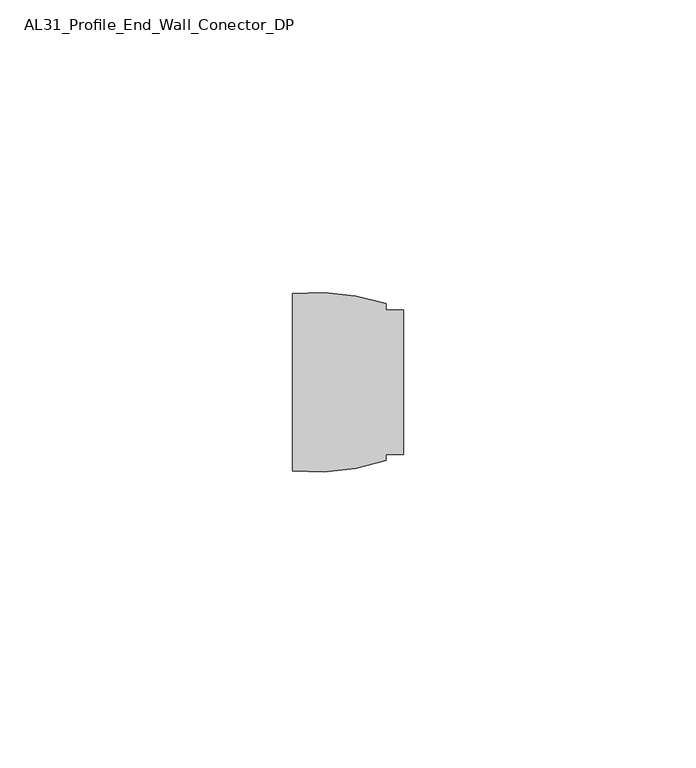
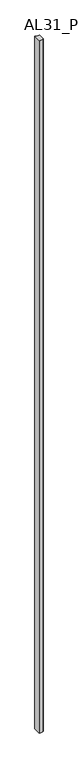
"""IFC4 building model written with IfcOpenShell, lengths in millimetres: member geometry, AL31_Profile_End_Wall_Conector_DP."""

import ifcopenshell
import ifcopenshell.guid

model = None  # the IFC model being written
_history = None  # IfcOwnerHistory: only IFC2X3 demands one
_inside = {}  # id of a spatial element -> (the spatial element, [elements in it])
_under = {}  # id of a project, library or spatial element -> (it, [spatial elements below it])
_declared = {}  # id of a project -> (the project, [libraries it declares])
_typed = {}  # id of a type object -> (the type object, [elements of that type])
_made_of = {}  # id of a material, layer set ... -> (it, [elements and type objects made of it])


def new_model(schema):
    """Start an empty IFC model of exactly this schema.

    Asked for "IFC4X3", IfcOpenShell would pick the latest addendum, in which some entities
    have other attributes; the version numbers below select the first issue.
    IFC2X3 requires an IfcOwnerHistory on every rooted entity: one is made here for all.
    """
    global model, _history
    if schema == "IFC4X3":
        model = ifcopenshell.file(schema_version=(4, 3, 0, 0))
    else:
        model = ifcopenshell.file(schema=schema)
    _inside.clear()
    _under.clear()
    _declared.clear()
    _typed.clear()
    _made_of.clear()
    _history = None
    if model.schema == "IFC2X3":
        org = make("IfcOrganization", Name="unknown")
        user = make(
            "IfcPersonAndOrganization",
            ThePerson=make("IfcPerson", FamilyName="unknown"),
            TheOrganization=org,
        )
        app = make(
            "IfcApplication",
            ApplicationDeveloper=org,
            Version="unknown",
            ApplicationFullName="unknown",
            ApplicationIdentifier="unknown",
        )
        _history = make(
            "IfcOwnerHistory",
            OwningUser=user,
            OwningApplication=app,
            ChangeAction="ADDED",
            CreationDate=0,
        )
    return model


def make(cls, **values):
    """One entity of the class cls with the attributes given. An attribute that is None is left unset."""
    return model.create_entity(
        cls, **{name: value for name, value in values.items() if value is not None}
    )


def rooted(cls, **values):
    """An entity with a GlobalId (a new one), such as an element, a storey or a relation."""
    return make(cls, GlobalId=ifcopenshell.guid.new(), OwnerHistory=_history, **values)


def si_unit(unit_type, name, prefix=None):
    """IfcSIUnit, for example si_unit("LENGTHUNIT", "METRE", prefix="MILLI")."""
    return make("IfcSIUnit", UnitType=unit_type, Prefix=prefix, Name=name)


def assignment(units):
    """IfcUnitAssignment: the units of a project."""
    return None if units is None else make("IfcUnitAssignment", Units=units)


def point(xyz):
    """IfcCartesianPoint."""
    return None if xyz is None else make("IfcCartesianPoint", Coordinates=xyz)


def direction(xyz):
    """IfcDirection."""
    return None if xyz is None else make("IfcDirection", DirectionRatios=xyz)


def frame(location, z_axis=None, x_axis=None):
    """IfcAxis2Placement3D, a coordinate frame: its origin and axes. An axis left out is left unset."""
    return make(
        "IfcAxis2Placement3D",
        Location=point(location),
        Axis=direction(z_axis),
        RefDirection=direction(x_axis),
    )


def frame_2d(location, x_axis=None):
    """IfcAxis2Placement2D, a coordinate frame in the plane: its origin and x axis."""
    return make(
        "IfcAxis2Placement2D", Location=point(location), RefDirection=direction(x_axis)
    )


def origin():
    """The frame at (0, 0, 0) with its axes left unset."""
    return frame((0.0, 0.0, 0.0))


def place(relative_to, where):
    """IfcLocalPlacement: puts the frame where relative to a parent placement (None: the world)."""
    return make(
        "IfcLocalPlacement", PlacementRelTo=relative_to, RelativePlacement=where
    )


def context(
    kind, dimensions, precision=None, world=None, true_north=None, identifier=None
):
    """IfcGeometricRepresentationContext, for example the 3D "Model" context."""
    return make(
        "IfcGeometricRepresentationContext",
        ContextIdentifier=identifier,
        ContextType=kind,
        CoordinateSpaceDimension=dimensions,
        Precision=precision,
        WorldCoordinateSystem=world,
        TrueNorth=true_north,
    )


def project(units=None, contexts=None):
    """IfcProject with its units and contexts."""
    return rooted(
        "IfcProject",
        Name="project",
        RepresentationContexts=contexts,
        UnitsInContext=assignment(units),
    )


def spatial(cls, under=None, at=None, **own):
    """A site, building, storey or space (cls), placed at a placement, below another one or the project."""
    s = rooted(cls, ObjectPlacement=at, **own)
    if under is not None:
        _under.setdefault(under.id(), (under, []))[1].append(s)
    return s


def polyline(points):
    """IfcPolyline through the points."""
    return make("IfcPolyline", Points=[point(p) for p in points])


def circle_curve(where, radius):
    """IfcCircle in the frame where."""
    return make("IfcCircle", Position=where, Radius=radius)


def trimmed(basis, trim1, trim2, sense, master):
    """IfcTrimmedCurve: the piece of a basis curve between two trims."""
    return make(
        "IfcTrimmedCurve",
        BasisCurve=basis,
        Trim1=trim1,
        Trim2=trim2,
        SenseAgreement=sense,
        MasterRepresentation=master,
    )


def segment(curve, same_sense, transition):
    """IfcCompositeCurveSegment."""
    return make(
        "IfcCompositeCurveSegment",
        Transition=transition,
        SameSense=same_sense,
        ParentCurve=curve,
    )


def composite_curve(segments, self_intersect=None):
    """IfcCompositeCurve: segments joined end to end."""
    return make("IfcCompositeCurve", Segments=segments, SelfIntersect=self_intersect)


def outline(outer, holes=None, kind="AREA"):
    """IfcArbitraryClosedProfileDef: a profile drawn as a closed curve; with holes, ...WithVoids."""
    if holes is None:
        return make("IfcArbitraryClosedProfileDef", ProfileType=kind, OuterCurve=outer)
    return make(
        "IfcArbitraryProfileDefWithVoids",
        ProfileType=kind,
        OuterCurve=outer,
        InnerCurves=holes,
    )


def extrude(swept, where, along, depth):
    """IfcExtrudedAreaSolid: the profile swept, set in the frame where, extruded along a direction by depth."""
    return make(
        "IfcExtrudedAreaSolid",
        SweptArea=swept,
        Position=where,
        ExtrudedDirection=direction(along),
        Depth=depth,
    )


def shape(context_of_items, identifier, shape_type, items):
    """IfcShapeRepresentation: the items that make up one representation, for example the "Body"."""
    return make(
        "IfcShapeRepresentation",
        ContextOfItems=context_of_items,
        RepresentationIdentifier=identifier,
        RepresentationType=shape_type,
        Items=items,
    )


def source(mapping_origin, context_of_items, identifier, shape_type, items):
    """IfcRepresentationMap: a shape defined once, which mapped items show again and again."""
    return make(
        "IfcRepresentationMap",
        MappingOrigin=mapping_origin,
        MappedRepresentation=shape(context_of_items, identifier, shape_type, items),
    )


def transform(
    local_origin,
    x_axis=None,
    y_axis=None,
    z_axis=None,
    scale=None,
    scale2=None,
    scale3=None,
    uniform=True,
):
    """IfcCartesianTransformationOperator3D, or its non-uniform kind. x_axis, y_axis, z_axis: its Axis1, 2, 3."""
    if uniform:
        return make(
            "IfcCartesianTransformationOperator3D",
            Axis1=direction(x_axis),
            Axis2=direction(y_axis),
            LocalOrigin=point(local_origin),
            Scale=scale,
            Axis3=direction(z_axis),
        )
    return make(
        "IfcCartesianTransformationOperator3DnonUniform",
        Axis1=direction(x_axis),
        Axis2=direction(y_axis),
        LocalOrigin=point(local_origin),
        Scale=scale,
        Axis3=direction(z_axis),
        Scale2=scale2,
        Scale3=scale3,
    )


def mapped(mapping_source, mapping_target):
    """IfcMappedItem: shows the shape of a source again, moved by a transform."""
    return make(
        "IfcMappedItem", MappingSource=mapping_source, MappingTarget=mapping_target
    )


def made_of(thing, what):
    """Note that an element or type object is made of a material, layer set ...; save() writes the relation."""
    if what is not None:
        _made_of.setdefault(what.id(), (what, []))[1].append(thing)
    return thing


def element(
    cls,
    number,
    at=None,
    inside=None,
    cuts=None,
    type_object=None,
    material=None,
    context=None,
    identifier="Body",
    shape_type=None,
    held_by="IfcProductDefinitionShape",
    body=None,
    shapes=None,
    **own,
):
    """One element of the class cls, such as IfcWall. Its Tag is "e" and its number.

    at: its placement. inside: the storey or other place that contains it. cuts: it is an
    opening in that element (IfcRelVoidsElement). A single representation is given by context,
    identifier, shape_type and body (its items); several are given by shapes. held_by: the class
    of the entity that holds the representations. save() writes the other relations.
    """
    e = rooted(cls, Tag="e%d" % number, ObjectPlacement=at, **own)
    if body is not None:
        shapes = [shape(context, identifier, shape_type, body)]
    if shapes is not None:
        e.Representation = make(held_by, Representations=shapes)
    if inside is not None:
        _inside.setdefault(inside.id(), (inside, []))[1].append(e)
    if cuts is not None:
        rooted(
            "IfcRelVoidsElement", RelatingBuildingElement=cuts, RelatedOpeningElement=e
        )
    if type_object is not None:
        _typed.setdefault(type_object.id(), (type_object, []))[1].append(e)
    return made_of(e, material)


def aggregate(whole, parts):
    """IfcRelAggregates: a whole, such as a stair, and the parts it consists of."""
    return rooted("IfcRelAggregates", RelatingObject=whole, RelatedObjects=parts)


def save(model, path):
    """Write the relations noted so far, then the file.

    IfcRelAggregates (storeys below a building ...), IfcRelContainedInSpatialStructure (elements
    in a storey), IfcRelDefinesByType, IfcRelAssociatesMaterial and IfcRelDeclares: one each for
    every whole, place, type object, material and project.
    """
    for whole, parts in _under.values():
        aggregate(whole, parts)
    for where, things in _inside.values():
        rooted(
            "IfcRelContainedInSpatialStructure",
            RelatedElements=things,
            RelatingStructure=where,
        )
    for kind, things in _typed.values():
        rooted("IfcRelDefinesByType", RelatedObjects=things, RelatingType=kind)
    for what, things in _made_of.values():
        rooted("IfcRelAssociatesMaterial", RelatedObjects=things, RelatingMaterial=what)
    for by, libraries in _declared.values():
        rooted("IfcRelDeclares", RelatingContext=by, RelatedDefinitions=libraries)
    model.write(path)


def al31_profile_end_wall_conector_dp_587d3cdc(model_context):
    return source(origin(), model_context, "Body", "SweptSolid", [
        extrude(outline(composite_curve([segment(polyline([(-2.91093, 7.507), (-2.91093, 6.4514918)]), True, "CONTINUOUS"), segment(trimmed(circle_curve(frame_2d((-14.910931, 42.5070042)), 38.0), [point((-2.91093, 6.4514918))], [point((-18.9189957, 4.7189715))], False, "CARTESIAN"), True, "CONTINUOUS"), segment(polyline([(-18.9189957, 4.7189715), (-18.9189957, 34.9950318)]), True, "CONTINUOUS"), segment(trimmed(circle_curve(frame_2d((-14.910931, -2.7930009)), 38.0), [point((-18.9189957, 34.9950318))], [point((-2.9109321, 33.2625122))], False, "CARTESIAN"), True, "CONTINUOUS"), segment(polyline([(-2.9109321, 33.2625122), (-2.9109321, 32.207), (0.0, 32.207), (0.0, 7.507), (-2.91093, 7.507)]), True, "CONTINUOUS")], self_intersect=False)), frame((0.0, 0.0, -3000.0), z_axis=(0.0, 0.0, 1.0), x_axis=(1.0, 0.0, 0.0)), (0.0, 0.0, 1.0), 3000.0),
    ])


if __name__ == "__main__":
    model = new_model("IFC4")
    model_context = context("Model", 3, world=origin())
    ifc_project = project(units=[si_unit("LENGTHUNIT", "METRE", prefix="MILLI")], contexts=[model_context])
    site = spatial("IfcSite", under=ifc_project)
    building = spatial("IfcBuilding", under=site)
    placement = place(None, origin())
    al31_profile_end_wall_conector_dp_shape = al31_profile_end_wall_conector_dp_587d3cdc(model_context)
    element("IfcMember", 1, ObjectType="AL31_Profile_End_Wall_Conector_DP", at=placement, inside=building, context=model_context, shape_type="MappedRepresentation", body=[
        mapped(al31_profile_end_wall_conector_dp_shape, transform((0.0, 0.0, 0.0), x_axis=(1.0, 0.0, 0.0), y_axis=(0.0, 1.0, 0.0), z_axis=(0.0, 0.0, 1.0))),
    ])
    save(model, "model.ifc")
